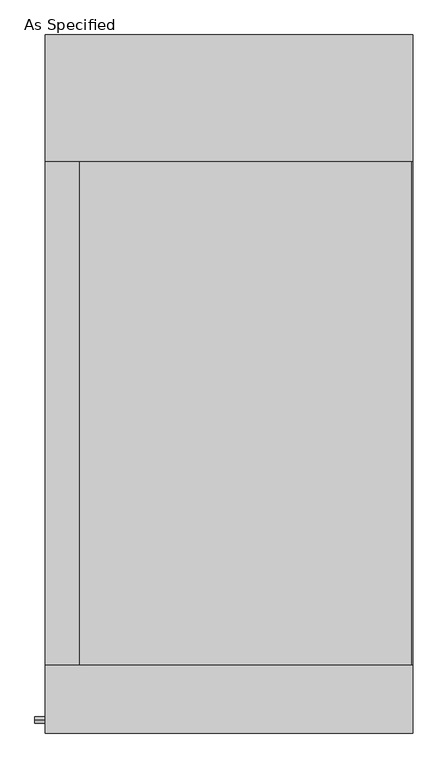
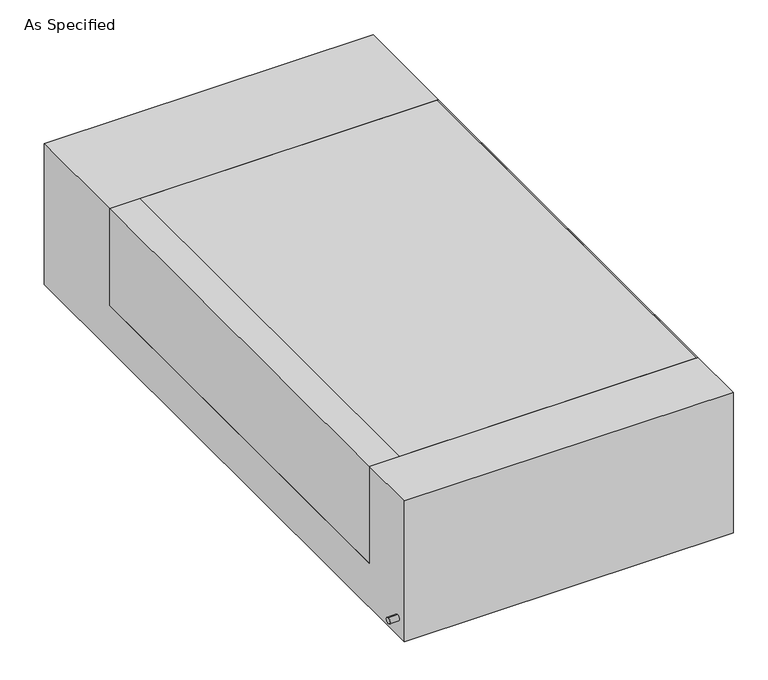
"""IFC4 building model written with IfcOpenShell, lengths in millimetres: proxy geometry, As Specified."""

from ifc_helpers import new_model, si_unit, point, frame, frame_2d, origin, place, context, project, spatial, polyline, circle_curve, trimmed, segment, composite_curve, outline, extrude, source, transform, mapped, element, save


def as_specified_def86016(model_context):
    return source(origin(), model_context, "Body", "SweptSolid", [
        extrude(outline(composite_curve([segment(trimmed(circle_curve(frame_2d((-1017.5875, -466.725)), 10.5), [point((-1017.5875, -456.225))], [point((-1017.5875, -477.225))], False, "CARTESIAN"), True, "CONTINUOUS"), segment(trimmed(circle_curve(frame_2d((-1017.5875, -466.725)), 10.5), [point((-1017.5875, -477.225))], [point((-1017.5875, -456.225))], False, "CARTESIAN"), True, "CONTINUOUS")], self_intersect=False)), frame((-589.0528384, 0.0, 0.0), z_axis=(1.0, 0.0, 0.0), x_axis=(0.0, 1.0, 0.0)), (0.0, 0.0, 1.0), 31.8403384),
        extrude(outline(polyline([(-454.81875, 673.1), (-454.81875, -850.9), (-557.2125, -850.9), (-557.2125, 673.1), (-454.81875, 673.1)])), frame((0.0, 0.0, -373.0625), z_axis=(0.0, 0.0, 1.0), x_axis=(1.0, 0.0, 0.0)), (0.0, 0.0, 1.0), 347.6625),
        extrude(outline(polyline([(553.24375, 673.1), (557.2125, 673.1), (557.2125, -850.9), (553.24375, -850.9), (553.24375, 673.1)])), frame((0.0, 0.0, -39.6875), z_axis=(0.0, 0.0, 1.0), x_axis=(1.0, 0.0, 0.0)), (0.0, 0.0, 1.0), 14.2875),
        extrude(outline(polyline([(557.2125, 673.1), (557.2125, -850.9), (-454.81875, -850.9), (-454.81875, 673.1), (557.2125, 673.1)])), frame((0.0, 0.0, -373.0625), z_axis=(0.0, 0.0, 1.0), x_axis=(1.0, 0.0, 0.0)), (0.0, 0.0, 1.0), 347.6625),
        extrude(outline(polyline([(1057.275, -25.4), (1057.275, -530.225), (-1057.275, -530.225), (-1057.275, -25.4), (-850.9, -25.4), (-850.9, -373.0625), (673.1, -373.0625), (673.1, -25.4), (1057.275, -25.4)])), frame((-557.2125, 0.0, 0.0), z_axis=(1.0, 0.0, 0.0), x_axis=(0.0, 1.0, 0.0)), (0.0, 0.0, 1.0), 1114.425),
    ])


if __name__ == "__main__":
    model = new_model("IFC4")
    model_context = context("Model", 3, world=origin())
    ifc_project = project(units=[si_unit("LENGTHUNIT", "METRE", prefix="MILLI")], contexts=[model_context])
    site = spatial("IfcSite", under=ifc_project)
    building = spatial("IfcBuilding", under=site)
    placement = place(None, origin())
    as_specified_shape = as_specified_def86016(model_context)
    element("IfcBuildingElementProxy", 1, Name="As Specified", ObjectType="As Specified", at=placement, inside=building, context=model_context, shape_type="MappedRepresentation", body=[
        mapped(as_specified_shape, transform((0.0, 0.0, 0.0), x_axis=(1.0, 0.0, 0.0), y_axis=(0.0, 1.0, 0.0), z_axis=(0.0, 0.0, 1.0))),
    ])
    save(model, "model.ifc")
